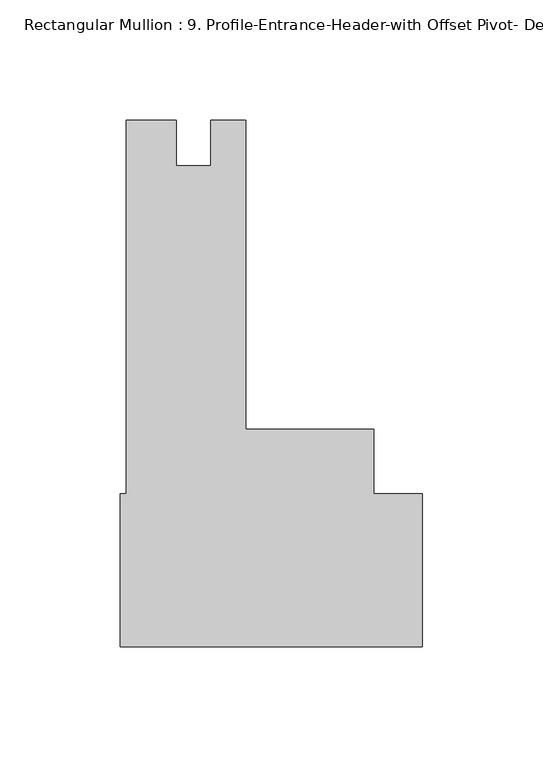
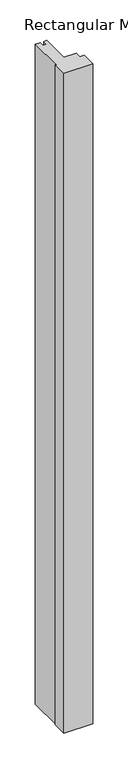
"""IFC4 building model written with IfcOpenShell, lengths in millimetres: member geometry, Rectangular Mullion : 9. Profile-Entrance-Header-with Offset Pivot- Detail-3."""

import ifcopenshell
import ifcopenshell.guid

model = None  # the IFC model being written
_history = None  # IfcOwnerHistory: only IFC2X3 demands one
_inside = {}  # id of a spatial element -> (the spatial element, [elements in it])
_under = {}  # id of a project, library or spatial element -> (it, [spatial elements below it])
_declared = {}  # id of a project -> (the project, [libraries it declares])
_typed = {}  # id of a type object -> (the type object, [elements of that type])
_made_of = {}  # id of a material, layer set ... -> (it, [elements and type objects made of it])


def new_model(schema):
    """Start an empty IFC model of exactly this schema.

    Asked for "IFC4X3", IfcOpenShell would pick the latest addendum, in which some entities
    have other attributes; the version numbers below select the first issue.
    IFC2X3 requires an IfcOwnerHistory on every rooted entity: one is made here for all.
    """
    global model, _history
    if schema == "IFC4X3":
        model = ifcopenshell.file(schema_version=(4, 3, 0, 0))
    else:
        model = ifcopenshell.file(schema=schema)
    _inside.clear()
    _under.clear()
    _declared.clear()
    _typed.clear()
    _made_of.clear()
    _history = None
    if model.schema == "IFC2X3":
        org = make("IfcOrganization", Name="unknown")
        user = make(
            "IfcPersonAndOrganization",
            ThePerson=make("IfcPerson", FamilyName="unknown"),
            TheOrganization=org,
        )
        app = make(
            "IfcApplication",
            ApplicationDeveloper=org,
            Version="unknown",
            ApplicationFullName="unknown",
            ApplicationIdentifier="unknown",
        )
        _history = make(
            "IfcOwnerHistory",
            OwningUser=user,
            OwningApplication=app,
            ChangeAction="ADDED",
            CreationDate=0,
        )
    return model


def make(cls, **values):
    """One entity of the class cls with the attributes given. An attribute that is None is left unset."""
    return model.create_entity(
        cls, **{name: value for name, value in values.items() if value is not None}
    )


def rooted(cls, **values):
    """An entity with a GlobalId (a new one), such as an element, a storey or a relation."""
    return make(cls, GlobalId=ifcopenshell.guid.new(), OwnerHistory=_history, **values)


def si_unit(unit_type, name, prefix=None):
    """IfcSIUnit, for example si_unit("LENGTHUNIT", "METRE", prefix="MILLI")."""
    return make("IfcSIUnit", UnitType=unit_type, Prefix=prefix, Name=name)


def assignment(units):
    """IfcUnitAssignment: the units of a project."""
    return None if units is None else make("IfcUnitAssignment", Units=units)


def point(xyz):
    """IfcCartesianPoint."""
    return None if xyz is None else make("IfcCartesianPoint", Coordinates=xyz)


def direction(xyz):
    """IfcDirection."""
    return None if xyz is None else make("IfcDirection", DirectionRatios=xyz)


def frame(location, z_axis=None, x_axis=None):
    """IfcAxis2Placement3D, a coordinate frame: its origin and axes. An axis left out is left unset."""
    return make(
        "IfcAxis2Placement3D",
        Location=point(location),
        Axis=direction(z_axis),
        RefDirection=direction(x_axis),
    )


def origin():
    """The frame at (0, 0, 0) with its axes left unset."""
    return frame((0.0, 0.0, 0.0))


def place(relative_to, where):
    """IfcLocalPlacement: puts the frame where relative to a parent placement (None: the world)."""
    return make(
        "IfcLocalPlacement", PlacementRelTo=relative_to, RelativePlacement=where
    )


def context(
    kind, dimensions, precision=None, world=None, true_north=None, identifier=None
):
    """IfcGeometricRepresentationContext, for example the 3D "Model" context."""
    return make(
        "IfcGeometricRepresentationContext",
        ContextIdentifier=identifier,
        ContextType=kind,
        CoordinateSpaceDimension=dimensions,
        Precision=precision,
        WorldCoordinateSystem=world,
        TrueNorth=true_north,
    )


def project(units=None, contexts=None):
    """IfcProject with its units and contexts."""
    return rooted(
        "IfcProject",
        Name="project",
        RepresentationContexts=contexts,
        UnitsInContext=assignment(units),
    )


def spatial(cls, under=None, at=None, **own):
    """A site, building, storey or space (cls), placed at a placement, below another one or the project."""
    s = rooted(cls, ObjectPlacement=at, **own)
    if under is not None:
        _under.setdefault(under.id(), (under, []))[1].append(s)
    return s


def polyline(points):
    """IfcPolyline through the points."""
    return make("IfcPolyline", Points=[point(p) for p in points])


def outline(outer, holes=None, kind="AREA"):
    """IfcArbitraryClosedProfileDef: a profile drawn as a closed curve; with holes, ...WithVoids."""
    if holes is None:
        return make("IfcArbitraryClosedProfileDef", ProfileType=kind, OuterCurve=outer)
    return make(
        "IfcArbitraryProfileDefWithVoids",
        ProfileType=kind,
        OuterCurve=outer,
        InnerCurves=holes,
    )


def extrude(swept, where, along, depth):
    """IfcExtrudedAreaSolid: the profile swept, set in the frame where, extruded along a direction by depth."""
    return make(
        "IfcExtrudedAreaSolid",
        SweptArea=swept,
        Position=where,
        ExtrudedDirection=direction(along),
        Depth=depth,
    )


def shape(context_of_items, identifier, shape_type, items):
    """IfcShapeRepresentation: the items that make up one representation, for example the "Body"."""
    return make(
        "IfcShapeRepresentation",
        ContextOfItems=context_of_items,
        RepresentationIdentifier=identifier,
        RepresentationType=shape_type,
        Items=items,
    )


def source(mapping_origin, context_of_items, identifier, shape_type, items):
    """IfcRepresentationMap: a shape defined once, which mapped items show again and again."""
    return make(
        "IfcRepresentationMap",
        MappingOrigin=mapping_origin,
        MappedRepresentation=shape(context_of_items, identifier, shape_type, items),
    )


def transform(
    local_origin,
    x_axis=None,
    y_axis=None,
    z_axis=None,
    scale=None,
    scale2=None,
    scale3=None,
    uniform=True,
):
    """IfcCartesianTransformationOperator3D, or its non-uniform kind. x_axis, y_axis, z_axis: its Axis1, 2, 3."""
    if uniform:
        return make(
            "IfcCartesianTransformationOperator3D",
            Axis1=direction(x_axis),
            Axis2=direction(y_axis),
            LocalOrigin=point(local_origin),
            Scale=scale,
            Axis3=direction(z_axis),
        )
    return make(
        "IfcCartesianTransformationOperator3DnonUniform",
        Axis1=direction(x_axis),
        Axis2=direction(y_axis),
        LocalOrigin=point(local_origin),
        Scale=scale,
        Axis3=direction(z_axis),
        Scale2=scale2,
        Scale3=scale3,
    )


def mapped(mapping_source, mapping_target):
    """IfcMappedItem: shows the shape of a source again, moved by a transform."""
    return make(
        "IfcMappedItem", MappingSource=mapping_source, MappingTarget=mapping_target
    )


def made_of(thing, what):
    """Note that an element or type object is made of a material, layer set ...; save() writes the relation."""
    if what is not None:
        _made_of.setdefault(what.id(), (what, []))[1].append(thing)
    return thing


def element(
    cls,
    number,
    at=None,
    inside=None,
    cuts=None,
    type_object=None,
    material=None,
    context=None,
    identifier="Body",
    shape_type=None,
    held_by="IfcProductDefinitionShape",
    body=None,
    shapes=None,
    **own,
):
    """One element of the class cls, such as IfcWall. Its Tag is "e" and its number.

    at: its placement. inside: the storey or other place that contains it. cuts: it is an
    opening in that element (IfcRelVoidsElement). A single representation is given by context,
    identifier, shape_type and body (its items); several are given by shapes. held_by: the class
    of the entity that holds the representations. save() writes the other relations.
    """
    e = rooted(cls, Tag="e%d" % number, ObjectPlacement=at, **own)
    if body is not None:
        shapes = [shape(context, identifier, shape_type, body)]
    if shapes is not None:
        e.Representation = make(held_by, Representations=shapes)
    if inside is not None:
        _inside.setdefault(inside.id(), (inside, []))[1].append(e)
    if cuts is not None:
        rooted(
            "IfcRelVoidsElement", RelatingBuildingElement=cuts, RelatedOpeningElement=e
        )
    if type_object is not None:
        _typed.setdefault(type_object.id(), (type_object, []))[1].append(e)
    return made_of(e, material)


def aggregate(whole, parts):
    """IfcRelAggregates: a whole, such as a stair, and the parts it consists of."""
    return rooted("IfcRelAggregates", RelatingObject=whole, RelatedObjects=parts)


def save(model, path):
    """Write the relations noted so far, then the file.

    IfcRelAggregates (storeys below a building ...), IfcRelContainedInSpatialStructure (elements
    in a storey), IfcRelDefinesByType, IfcRelAssociatesMaterial and IfcRelDeclares: one each for
    every whole, place, type object, material and project.
    """
    for whole, parts in _under.values():
        aggregate(whole, parts)
    for where, things in _inside.values():
        rooted(
            "IfcRelContainedInSpatialStructure",
            RelatedElements=things,
            RelatingStructure=where,
        )
    for kind, things in _typed.values():
        rooted("IfcRelDefinesByType", RelatedObjects=things, RelatingType=kind)
    for what, things in _made_of.values():
        rooted("IfcRelAssociatesMaterial", RelatedObjects=things, RelatingMaterial=what)
    for by, libraries in _declared.values():
        rooted("IfcRelDeclares", RelatingContext=by, RelatedDefinitions=libraries)
    model.write(path)


def rectangular_mullion_9_profile_entrance_header_with_offset_eb44177d(model_context):
    return source(origin(), model_context, "Body", "SweptSolid", [
        extrude(outline(polyline([(-125.7808, -106.6428195), (-125.7808, -43.1418523), (-123.2153989, -43.1418523), (-123.2153989, 112.4331491), (-102.3365923, 112.4331491), (-102.3365923, 93.4085503), (-88.0236989, 93.4085503), (-88.0236989, 112.4331503), (-73.4313989, 112.4331503), (-73.4313989, -16.1680195), (-20.2501501, -16.1680195), (-20.2501501, -43.1428195), (0.0, -43.1428195), (0.0, -106.6428195), (-125.7808, -106.6428195)])), frame((0.0, 0.0, -3048.0), z_axis=(0.0, 0.0, 1.0), x_axis=(1.0, 0.0, 0.0)), (0.0, 0.0, 1.0), 3048.0),
    ])


if __name__ == "__main__":
    model = new_model("IFC4")
    model_context = context("Model", 3, world=origin())
    ifc_project = project(units=[si_unit("LENGTHUNIT", "METRE", prefix="MILLI")], contexts=[model_context])
    site = spatial("IfcSite", under=ifc_project)
    building = spatial("IfcBuilding", under=site)
    placement = place(None, origin())
    rectangular_mullion_9_profile_entrance_header_with_offset_shape = rectangular_mullion_9_profile_entrance_header_with_offset_eb44177d(model_context)
    element("IfcMember", 1, ObjectType="Rectangular Mullion : 9. Profile-Entrance-Header-with Offset Pivot- Detail-3", at=placement, inside=building, context=model_context, shape_type="MappedRepresentation", body=[
        mapped(rectangular_mullion_9_profile_entrance_header_with_offset_shape, transform((0.0, 0.0, 0.0), x_axis=(1.0, 0.0, 0.0), y_axis=(0.0, 1.0, 0.0), z_axis=(0.0, 0.0, 1.0))),
    ])
    save(model, "model.ifc")
